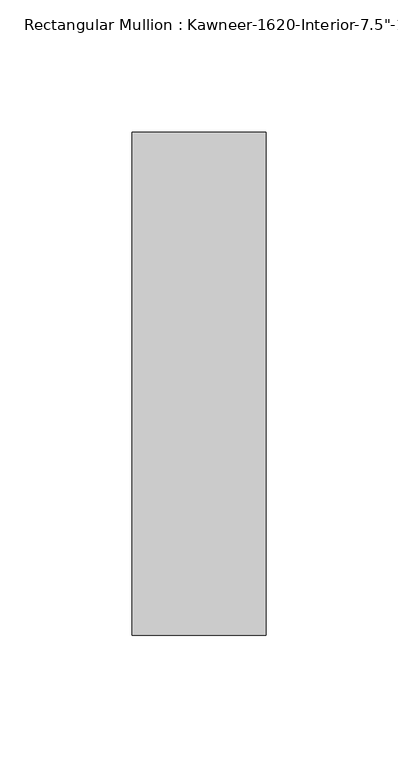
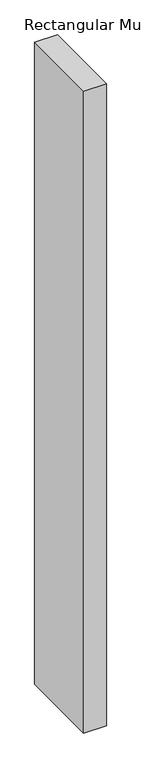
"""IFC4 building model written with IfcOpenShell, lengths in millimetres: member geometry."""

from ifc_helpers import new_model, si_unit, frame, origin, place, context, project, spatial, polyline, outline, extrude, source, transform, mapped, element, save


def member_45f31470(model_context):
    return source(origin(), model_context, "Body", "SweptSolid", [
        extrude(outline(polyline([(25.4, -152.4), (-25.4, -152.4), (-25.4, 38.1), (25.4, 38.1), (25.4, -152.4)])), frame((0.0, 0.0, -1524.0), z_axis=(0.0, 0.0, 1.0), x_axis=(1.0, 0.0, 0.0)), (0.0, 0.0, 1.0), 1524.0),
    ])


if __name__ == "__main__":
    model = new_model("IFC4")
    model_context = context("Model", 3, world=origin())
    ifc_project = project(units=[si_unit("LENGTHUNIT", "METRE", prefix="MILLI")], contexts=[model_context])
    site = spatial("IfcSite", under=ifc_project)
    building = spatial("IfcBuilding", under=site)
    placement = place(None, origin())
    member_shape = member_45f31470(model_context)
    element("IfcMember", 1, ObjectType="Rectangular Mullion : Kawneer-1620-Interior-7.5\"-1\"Infill", at=placement, inside=building, context=model_context, shape_type="MappedRepresentation", body=[
        mapped(member_shape, transform((0.0, 0.0, 0.0), x_axis=(1.0, 0.0, 0.0), y_axis=(0.0, 1.0, 0.0), z_axis=(0.0, 0.0, 1.0))),
    ])
    save(model, "model.ifc")
